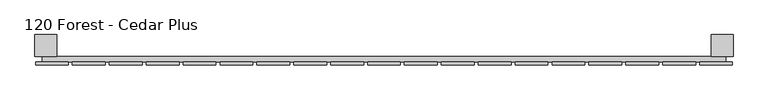
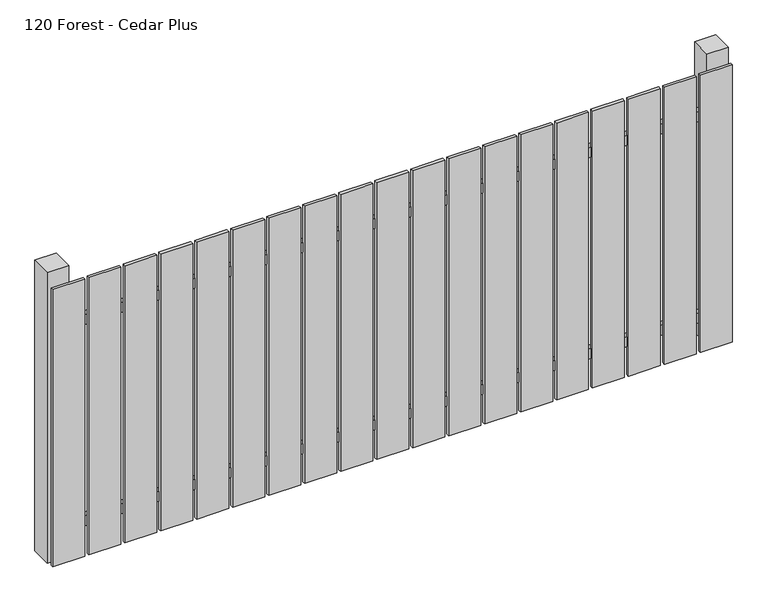
"""IFC4 building model written with IfcOpenShell, lengths in millimetres: railing geometry, 120 Forest - Cedar Plus."""

from ifc_helpers import new_model, si_unit, frame, origin, origin_with_axes, place, context, project, spatial, polyline, outline, extrude, source, transform, mapped, element, save


def railing_120_forest_cedar_plus_ddfc8eb6(model_context):
    return source(origin(), model_context, "Body", "SweptSolid", [
        extrude(outline(polyline([(6087.4299228, -85439.0267127), (6087.4299228, -85419.0267127), (8587.4299228, -85419.0267127), (8587.4299228, -85439.0267127), (6087.4299228, -85439.0267127)])), frame((0.0, 0.0, 110.0), z_axis=(0.0, 0.0, 1.0), x_axis=(1.0, 0.0, 0.0)), (0.0, 0.0, 1.0), 40.0),
        extrude(outline(polyline([(6087.4299228, -85439.0267127), (6087.4299228, -85419.0267127), (8587.4299228, -85419.0267127), (8587.4299228, -85439.0267127), (6087.4299228, -85439.0267127)])), frame((0.0, 0.0, 910.0), z_axis=(0.0, 0.0, 1.0), x_axis=(1.0, 0.0, 0.0)), (0.0, 0.0, 1.0), 40.0),
        extrude(outline(polyline([(8492.4299228, -85450.5267127), (8492.4299228, -85439.5267127), (8612.4299228, -85439.5267127), (8612.4299228, -85450.5267127), (8492.4299228, -85450.5267127)])), origin_with_axes(), (0.0, 0.0, 1.0), 1100.0),
        extrude(outline(polyline([(8357.4299228, -85450.5267127), (8357.4299228, -85439.5267127), (8477.4299228, -85439.5267127), (8477.4299228, -85450.5267127), (8357.4299228, -85450.5267127)])), origin_with_axes(), (0.0, 0.0, 1.0), 1100.0),
        extrude(outline(polyline([(8222.4299228, -85450.5267127), (8222.4299228, -85439.5267127), (8342.4299228, -85439.5267127), (8342.4299228, -85450.5267127), (8222.4299228, -85450.5267127)])), origin_with_axes(), (0.0, 0.0, 1.0), 1100.0),
        extrude(outline(polyline([(8087.4299228, -85450.5267127), (8087.4299228, -85439.5267127), (8207.4299228, -85439.5267127), (8207.4299228, -85450.5267127), (8087.4299228, -85450.5267127)])), origin_with_axes(), (0.0, 0.0, 1.0), 1100.0),
        extrude(outline(polyline([(7952.4299228, -85450.5267127), (7952.4299228, -85439.5267127), (8072.4299228, -85439.5267127), (8072.4299228, -85450.5267127), (7952.4299228, -85450.5267127)])), origin_with_axes(), (0.0, 0.0, 1.0), 1100.0),
        extrude(outline(polyline([(7817.4299228, -85450.5267127), (7817.4299228, -85439.5267127), (7937.4299228, -85439.5267127), (7937.4299228, -85450.5267127), (7817.4299228, -85450.5267127)])), origin_with_axes(), (0.0, 0.0, 1.0), 1100.0),
        extrude(outline(polyline([(7682.4299228, -85450.5267127), (7682.4299228, -85439.5267127), (7802.4299228, -85439.5267127), (7802.4299228, -85450.5267127), (7682.4299228, -85450.5267127)])), origin_with_axes(), (0.0, 0.0, 1.0), 1100.0),
        extrude(outline(polyline([(7547.4299228, -85450.5267127), (7547.4299228, -85439.5267127), (7667.4299228, -85439.5267127), (7667.4299228, -85450.5267127), (7547.4299228, -85450.5267127)])), origin_with_axes(), (0.0, 0.0, 1.0), 1100.0),
        extrude(outline(polyline([(7412.4299228, -85450.5267127), (7412.4299228, -85439.5267127), (7532.4299228, -85439.5267127), (7532.4299228, -85450.5267127), (7412.4299228, -85450.5267127)])), origin_with_axes(), (0.0, 0.0, 1.0), 1100.0),
        extrude(outline(polyline([(7277.4299228, -85450.5267127), (7277.4299228, -85439.5267127), (7397.4299228, -85439.5267127), (7397.4299228, -85450.5267127), (7277.4299228, -85450.5267127)])), origin_with_axes(), (0.0, 0.0, 1.0), 1100.0),
        extrude(outline(polyline([(7142.4299228, -85450.5267127), (7142.4299228, -85439.5267127), (7262.4299228, -85439.5267127), (7262.4299228, -85450.5267127), (7142.4299228, -85450.5267127)])), origin_with_axes(), (0.0, 0.0, 1.0), 1100.0),
        extrude(outline(polyline([(7007.4299228, -85450.5267127), (7007.4299228, -85439.5267127), (7127.4299228, -85439.5267127), (7127.4299228, -85450.5267127), (7007.4299228, -85450.5267127)])), origin_with_axes(), (0.0, 0.0, 1.0), 1100.0),
        extrude(outline(polyline([(6872.4299228, -85450.5267127), (6872.4299228, -85439.5267127), (6992.4299228, -85439.5267127), (6992.4299228, -85450.5267127), (6872.4299228, -85450.5267127)])), origin_with_axes(), (0.0, 0.0, 1.0), 1100.0),
        extrude(outline(polyline([(6737.4299228, -85450.5267127), (6737.4299228, -85439.5267127), (6857.4299228, -85439.5267127), (6857.4299228, -85450.5267127), (6737.4299228, -85450.5267127)])), origin_with_axes(), (0.0, 0.0, 1.0), 1100.0),
        extrude(outline(polyline([(6602.4299228, -85450.5267127), (6602.4299228, -85439.5267127), (6722.4299228, -85439.5267127), (6722.4299228, -85450.5267127), (6602.4299228, -85450.5267127)])), origin_with_axes(), (0.0, 0.0, 1.0), 1100.0),
        extrude(outline(polyline([(6467.4299228, -85450.5267127), (6467.4299228, -85439.5267127), (6587.4299228, -85439.5267127), (6587.4299228, -85450.5267127), (6467.4299228, -85450.5267127)])), origin_with_axes(), (0.0, 0.0, 1.0), 1100.0),
        extrude(outline(polyline([(6332.4299228, -85450.5267127), (6332.4299228, -85439.5267127), (6452.4299228, -85439.5267127), (6452.4299228, -85450.5267127), (6332.4299228, -85450.5267127)])), origin_with_axes(), (0.0, 0.0, 1.0), 1100.0),
        extrude(outline(polyline([(6197.4299228, -85450.5267127), (6197.4299228, -85439.5267127), (6317.4299228, -85439.5267127), (6317.4299228, -85450.5267127), (6197.4299228, -85450.5267127)])), origin_with_axes(), (0.0, 0.0, 1.0), 1100.0),
        extrude(outline(polyline([(6062.4299228, -85450.5267127), (6062.4299228, -85439.5267127), (6182.4299228, -85439.5267127), (6182.4299228, -85450.5267127), (6062.4299228, -85450.5267127)])), origin_with_axes(), (0.0, 0.0, 1.0), 1100.0),
        extrude(outline(polyline([(8534.9299228, -85339.0267127), (8614.9299228, -85339.0267127), (8614.9299228, -85419.0267127), (8534.9299228, -85419.0267127), (8534.9299228, -85339.0267127)])), frame((0.0, 0.0, -4.0), z_axis=(0.0, 0.0, 1.0), x_axis=(1.0, 0.0, 0.0)), (0.0, 0.0, 1.0), 1154.0),
        extrude(outline(polyline([(6059.9299228, -85339.0267127), (6139.9299228, -85339.0267127), (6139.9299228, -85419.0267127), (6059.9299228, -85419.0267127), (6059.9299228, -85339.0267127)])), frame((0.0, 0.0, -4.0), z_axis=(0.0, 0.0, 1.0), x_axis=(1.0, 0.0, 0.0)), (0.0, 0.0, 1.0), 1154.0),
    ])


if __name__ == "__main__":
    model = new_model("IFC4")
    model_context = context("Model", 3, world=origin())
    ifc_project = project(units=[si_unit("LENGTHUNIT", "METRE", prefix="MILLI")], contexts=[model_context])
    site = spatial("IfcSite", under=ifc_project)
    building = spatial("IfcBuilding", under=site)
    placement = place(None, origin())
    railing_120_forest_cedar_plus_shape = railing_120_forest_cedar_plus_ddfc8eb6(model_context)
    element("IfcRailing", 1, ObjectType="120 Forest - Cedar Plus", at=placement, inside=building, context=model_context, shape_type="MappedRepresentation", body=[
        mapped(railing_120_forest_cedar_plus_shape, transform((0.0, 0.0, 0.0), x_axis=(1.0, 0.0, 0.0), y_axis=(0.0, 1.0, 0.0), z_axis=(0.0, 0.0, 1.0))),
    ])
    save(model, "model.ifc")
